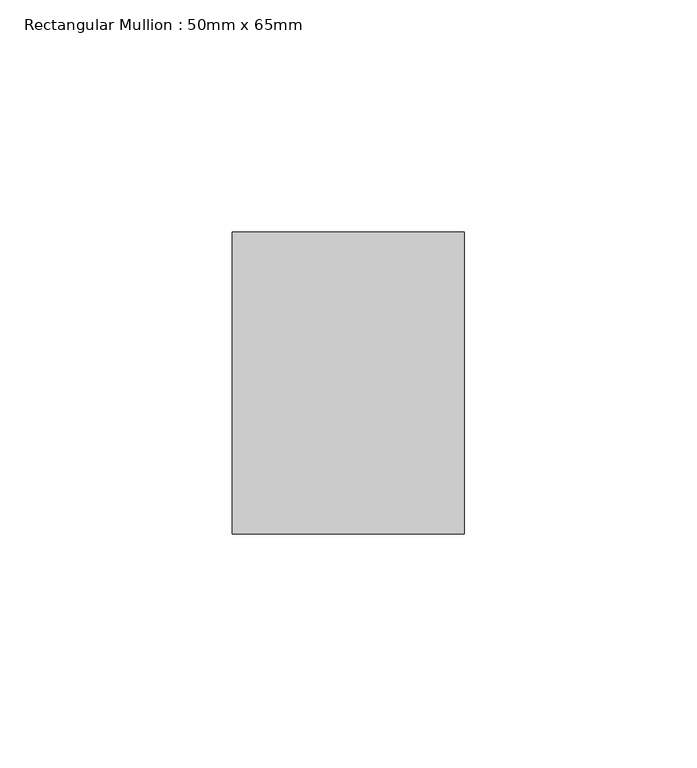
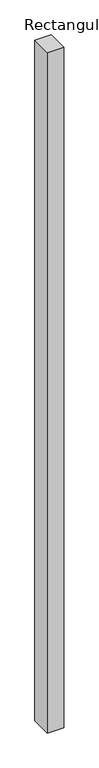
"""IFC4 building model written with IfcOpenShell, lengths in millimetres: member geometry, Rectangular Mullion : 50mm x 65mm."""

import ifcopenshell
import ifcopenshell.guid

model = None  # the IFC model being written
_history = None  # IfcOwnerHistory: only IFC2X3 demands one
_inside = {}  # id of a spatial element -> (the spatial element, [elements in it])
_under = {}  # id of a project, library or spatial element -> (it, [spatial elements below it])
_declared = {}  # id of a project -> (the project, [libraries it declares])
_typed = {}  # id of a type object -> (the type object, [elements of that type])
_made_of = {}  # id of a material, layer set ... -> (it, [elements and type objects made of it])


def new_model(schema):
    """Start an empty IFC model of exactly this schema.

    Asked for "IFC4X3", IfcOpenShell would pick the latest addendum, in which some entities
    have other attributes; the version numbers below select the first issue.
    IFC2X3 requires an IfcOwnerHistory on every rooted entity: one is made here for all.
    """
    global model, _history
    if schema == "IFC4X3":
        model = ifcopenshell.file(schema_version=(4, 3, 0, 0))
    else:
        model = ifcopenshell.file(schema=schema)
    _inside.clear()
    _under.clear()
    _declared.clear()
    _typed.clear()
    _made_of.clear()
    _history = None
    if model.schema == "IFC2X3":
        org = make("IfcOrganization", Name="unknown")
        user = make(
            "IfcPersonAndOrganization",
            ThePerson=make("IfcPerson", FamilyName="unknown"),
            TheOrganization=org,
        )
        app = make(
            "IfcApplication",
            ApplicationDeveloper=org,
            Version="unknown",
            ApplicationFullName="unknown",
            ApplicationIdentifier="unknown",
        )
        _history = make(
            "IfcOwnerHistory",
            OwningUser=user,
            OwningApplication=app,
            ChangeAction="ADDED",
            CreationDate=0,
        )
    return model


def make(cls, **values):
    """One entity of the class cls with the attributes given. An attribute that is None is left unset."""
    return model.create_entity(
        cls, **{name: value for name, value in values.items() if value is not None}
    )


def rooted(cls, **values):
    """An entity with a GlobalId (a new one), such as an element, a storey or a relation."""
    return make(cls, GlobalId=ifcopenshell.guid.new(), OwnerHistory=_history, **values)


def si_unit(unit_type, name, prefix=None):
    """IfcSIUnit, for example si_unit("LENGTHUNIT", "METRE", prefix="MILLI")."""
    return make("IfcSIUnit", UnitType=unit_type, Prefix=prefix, Name=name)


def assignment(units):
    """IfcUnitAssignment: the units of a project."""
    return None if units is None else make("IfcUnitAssignment", Units=units)


def point(xyz):
    """IfcCartesianPoint."""
    return None if xyz is None else make("IfcCartesianPoint", Coordinates=xyz)


def direction(xyz):
    """IfcDirection."""
    return None if xyz is None else make("IfcDirection", DirectionRatios=xyz)


def frame(location, z_axis=None, x_axis=None):
    """IfcAxis2Placement3D, a coordinate frame: its origin and axes. An axis left out is left unset."""
    return make(
        "IfcAxis2Placement3D",
        Location=point(location),
        Axis=direction(z_axis),
        RefDirection=direction(x_axis),
    )


def origin():
    """The frame at (0, 0, 0) with its axes left unset."""
    return frame((0.0, 0.0, 0.0))


def place(relative_to, where):
    """IfcLocalPlacement: puts the frame where relative to a parent placement (None: the world)."""
    return make(
        "IfcLocalPlacement", PlacementRelTo=relative_to, RelativePlacement=where
    )


def context(
    kind, dimensions, precision=None, world=None, true_north=None, identifier=None
):
    """IfcGeometricRepresentationContext, for example the 3D "Model" context."""
    return make(
        "IfcGeometricRepresentationContext",
        ContextIdentifier=identifier,
        ContextType=kind,
        CoordinateSpaceDimension=dimensions,
        Precision=precision,
        WorldCoordinateSystem=world,
        TrueNorth=true_north,
    )


def project(units=None, contexts=None):
    """IfcProject with its units and contexts."""
    return rooted(
        "IfcProject",
        Name="project",
        RepresentationContexts=contexts,
        UnitsInContext=assignment(units),
    )


def spatial(cls, under=None, at=None, **own):
    """A site, building, storey or space (cls), placed at a placement, below another one or the project."""
    s = rooted(cls, ObjectPlacement=at, **own)
    if under is not None:
        _under.setdefault(under.id(), (under, []))[1].append(s)
    return s


def polyline(points):
    """IfcPolyline through the points."""
    return make("IfcPolyline", Points=[point(p) for p in points])


def outline(outer, holes=None, kind="AREA"):
    """IfcArbitraryClosedProfileDef: a profile drawn as a closed curve; with holes, ...WithVoids."""
    if holes is None:
        return make("IfcArbitraryClosedProfileDef", ProfileType=kind, OuterCurve=outer)
    return make(
        "IfcArbitraryProfileDefWithVoids",
        ProfileType=kind,
        OuterCurve=outer,
        InnerCurves=holes,
    )


def extrude(swept, where, along, depth):
    """IfcExtrudedAreaSolid: the profile swept, set in the frame where, extruded along a direction by depth."""
    return make(
        "IfcExtrudedAreaSolid",
        SweptArea=swept,
        Position=where,
        ExtrudedDirection=direction(along),
        Depth=depth,
    )


def shape(context_of_items, identifier, shape_type, items):
    """IfcShapeRepresentation: the items that make up one representation, for example the "Body"."""
    return make(
        "IfcShapeRepresentation",
        ContextOfItems=context_of_items,
        RepresentationIdentifier=identifier,
        RepresentationType=shape_type,
        Items=items,
    )


def source(mapping_origin, context_of_items, identifier, shape_type, items):
    """IfcRepresentationMap: a shape defined once, which mapped items show again and again."""
    return make(
        "IfcRepresentationMap",
        MappingOrigin=mapping_origin,
        MappedRepresentation=shape(context_of_items, identifier, shape_type, items),
    )


def transform(
    local_origin,
    x_axis=None,
    y_axis=None,
    z_axis=None,
    scale=None,
    scale2=None,
    scale3=None,
    uniform=True,
):
    """IfcCartesianTransformationOperator3D, or its non-uniform kind. x_axis, y_axis, z_axis: its Axis1, 2, 3."""
    if uniform:
        return make(
            "IfcCartesianTransformationOperator3D",
            Axis1=direction(x_axis),
            Axis2=direction(y_axis),
            LocalOrigin=point(local_origin),
            Scale=scale,
            Axis3=direction(z_axis),
        )
    return make(
        "IfcCartesianTransformationOperator3DnonUniform",
        Axis1=direction(x_axis),
        Axis2=direction(y_axis),
        LocalOrigin=point(local_origin),
        Scale=scale,
        Axis3=direction(z_axis),
        Scale2=scale2,
        Scale3=scale3,
    )


def mapped(mapping_source, mapping_target):
    """IfcMappedItem: shows the shape of a source again, moved by a transform."""
    return make(
        "IfcMappedItem", MappingSource=mapping_source, MappingTarget=mapping_target
    )


def made_of(thing, what):
    """Note that an element or type object is made of a material, layer set ...; save() writes the relation."""
    if what is not None:
        _made_of.setdefault(what.id(), (what, []))[1].append(thing)
    return thing


def element(
    cls,
    number,
    at=None,
    inside=None,
    cuts=None,
    type_object=None,
    material=None,
    context=None,
    identifier="Body",
    shape_type=None,
    held_by="IfcProductDefinitionShape",
    body=None,
    shapes=None,
    **own,
):
    """One element of the class cls, such as IfcWall. Its Tag is "e" and its number.

    at: its placement. inside: the storey or other place that contains it. cuts: it is an
    opening in that element (IfcRelVoidsElement). A single representation is given by context,
    identifier, shape_type and body (its items); several are given by shapes. held_by: the class
    of the entity that holds the representations. save() writes the other relations.
    """
    e = rooted(cls, Tag="e%d" % number, ObjectPlacement=at, **own)
    if body is not None:
        shapes = [shape(context, identifier, shape_type, body)]
    if shapes is not None:
        e.Representation = make(held_by, Representations=shapes)
    if inside is not None:
        _inside.setdefault(inside.id(), (inside, []))[1].append(e)
    if cuts is not None:
        rooted(
            "IfcRelVoidsElement", RelatingBuildingElement=cuts, RelatedOpeningElement=e
        )
    if type_object is not None:
        _typed.setdefault(type_object.id(), (type_object, []))[1].append(e)
    return made_of(e, material)


def aggregate(whole, parts):
    """IfcRelAggregates: a whole, such as a stair, and the parts it consists of."""
    return rooted("IfcRelAggregates", RelatingObject=whole, RelatedObjects=parts)


def save(model, path):
    """Write the relations noted so far, then the file.

    IfcRelAggregates (storeys below a building ...), IfcRelContainedInSpatialStructure (elements
    in a storey), IfcRelDefinesByType, IfcRelAssociatesMaterial and IfcRelDeclares: one each for
    every whole, place, type object, material and project.
    """
    for whole, parts in _under.values():
        aggregate(whole, parts)
    for where, things in _inside.values():
        rooted(
            "IfcRelContainedInSpatialStructure",
            RelatedElements=things,
            RelatingStructure=where,
        )
    for kind, things in _typed.values():
        rooted("IfcRelDefinesByType", RelatedObjects=things, RelatingType=kind)
    for what, things in _made_of.values():
        rooted("IfcRelAssociatesMaterial", RelatedObjects=things, RelatingMaterial=what)
    for by, libraries in _declared.values():
        rooted("IfcRelDeclares", RelatingContext=by, RelatedDefinitions=libraries)
    model.write(path)


def rectangular_mullion_50mm_x_65mm_a34a6343(model_context):
    return source(origin(), model_context, "Body", "SweptSolid", [
        extrude(outline(polyline([(25.0, 32.5), (25.0, -32.5), (-25.0, -32.5), (-25.0, 32.5), (25.0, 32.5)])), frame((0.0, 0.0, -2186.9748637), z_axis=(0.0, 0.0, 1.0), x_axis=(1.0, 0.0, 0.0)), (0.0, 0.0, 1.0), 2186.9748637),
    ])


if __name__ == "__main__":
    model = new_model("IFC4")
    model_context = context("Model", 3, world=origin())
    ifc_project = project(units=[si_unit("LENGTHUNIT", "METRE", prefix="MILLI")], contexts=[model_context])
    site = spatial("IfcSite", under=ifc_project)
    building = spatial("IfcBuilding", under=site)
    placement = place(None, origin())
    rectangular_mullion_50mm_x_65mm_shape = rectangular_mullion_50mm_x_65mm_a34a6343(model_context)
    element("IfcMember", 1, ObjectType="Rectangular Mullion : 50mm x 65mm", at=placement, inside=building, context=model_context, shape_type="MappedRepresentation", body=[
        mapped(rectangular_mullion_50mm_x_65mm_shape, transform((0.0, 0.0, 0.0), x_axis=(1.0, 0.0, 0.0), y_axis=(0.0, 1.0, 0.0), z_axis=(0.0, 0.0, 1.0))),
    ])
    save(model, "model.ifc")
